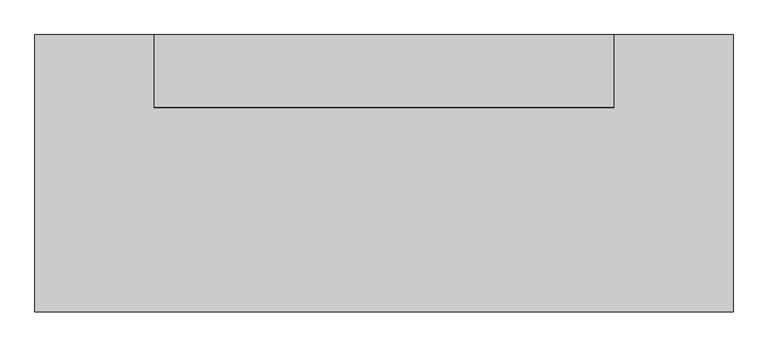
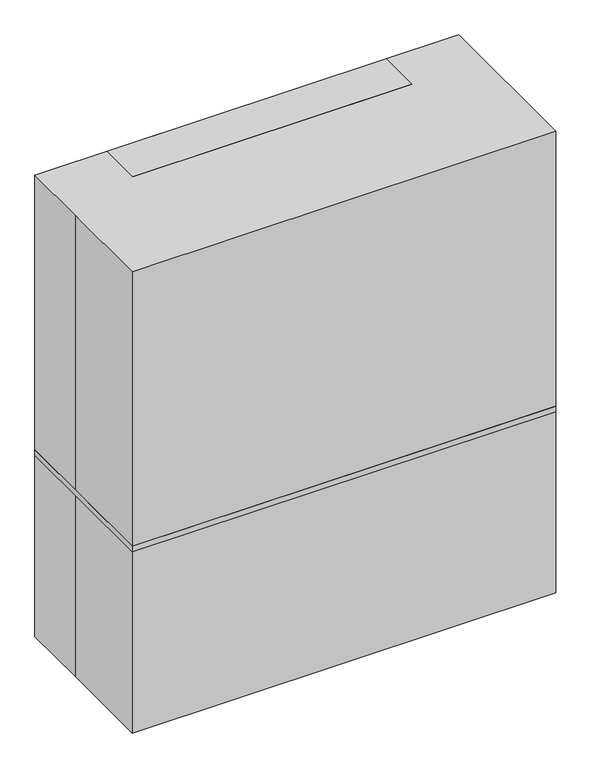
"""IFC4 building model written with IfcOpenShell, lengths in millimetres: proxy geometry."""

from ifc_helpers import new_model, si_unit, frame, origin, origin_with_axes, place, context, project, spatial, polyline, outline, extrude, source, transform, mapped, element, save


def specialty_equipment_0b9d7219(model_context):
    return source(origin(), model_context, "Body", "SweptSolid", [
        extrude(outline(polyline([(-609.6, 342.9), (-609.6, 368.3), (-558.8, 368.3), (-558.8, 342.9), (-609.6, 342.9)])), frame((0.0, 0.0, 1524.0), z_axis=(0.0, 0.0, 1.0), x_axis=(1.0, 0.0, 0.0)), (0.0, 0.0, 1.0), 406.4),
        extrude(outline(polyline([(609.6, 368.3), (609.6, 342.9), (558.8, 342.9), (558.8, 368.3), (609.6, 368.3)])), frame((0.0, 0.0, 1524.0), z_axis=(0.0, 0.0, 1.0), x_axis=(1.0, 0.0, 0.0)), (0.0, 0.0, 1.0), 406.4),
        extrude(outline(polyline([(609.6, -88.9), (-609.6, -88.9), (-609.6, 368.3), (609.6, 368.3), (609.6, -88.9)])), frame((0.0, 0.0, 1498.6), z_axis=(0.0, 0.0, 1.0), x_axis=(1.0, 0.0, 0.0)), (0.0, 0.0, 1.0), 25.4),
        extrude(outline(polyline([(175.0645431, 2133.6), (368.3, 2133.6), (368.3, 1930.4), (-88.9, 1930.4), (-88.9, 1981.2), (175.0645431, 2133.6)])), frame((-609.6, 0.0, 0.0), z_axis=(1.0, 0.0, 0.0), x_axis=(0.0, 1.0, 0.0)), (0.0, 0.0, 1.0), 1219.2),
        extrude(outline(polyline([(-901.7, -342.9), (-901.7, 342.9), (901.7, 342.9), (901.7, -342.9), (889.0, -342.9), (889.0, 330.2), (-889.0, 330.2), (-889.0, -342.9), (-901.7, -342.9)])), origin_with_axes(), (0.0, 0.0, 1.0), 838.2),
        extrude(outline(polyline([(927.1, 368.3), (927.1, -368.3), (-927.1, -368.3), (-927.1, 368.3), (927.1, 368.3)])), frame((0.0, 0.0, 838.2), z_axis=(0.0, 0.0, 1.0), x_axis=(1.0, 0.0, 0.0)), (0.0, 0.0, 1.0), 25.4),
        extrude(outline(polyline([(-927.1, 368.3), (927.1, 368.3), (927.1, -368.3), (-927.1, -368.3), (-927.1, 63.5), (-927.1, 368.3)])), origin_with_axes(), (0.0, 0.0, 1.0), 2133.6),
    ])


if __name__ == "__main__":
    model = new_model("IFC4")
    model_context = context("Model", 3, world=origin())
    ifc_project = project(units=[si_unit("LENGTHUNIT", "METRE", prefix="MILLI")], contexts=[model_context])
    site = spatial("IfcSite", under=ifc_project)
    building = spatial("IfcBuilding", under=site)
    placement = place(None, origin())
    specialty_equipment_shape = specialty_equipment_0b9d7219(model_context)
    element("IfcBuildingElementProxy", 1, Name="Specialty Equipment", at=placement, inside=building, context=model_context, shape_type="MappedRepresentation", body=[
        mapped(specialty_equipment_shape, transform((0.0, 0.0, 0.0), x_axis=(1.0, 0.0, 0.0), y_axis=(0.0, 1.0, 0.0), z_axis=(0.0, 0.0, 1.0))),
    ])
    save(model, "model.ifc")
